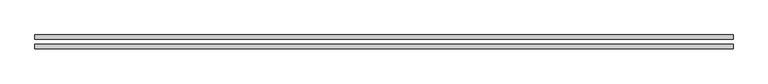
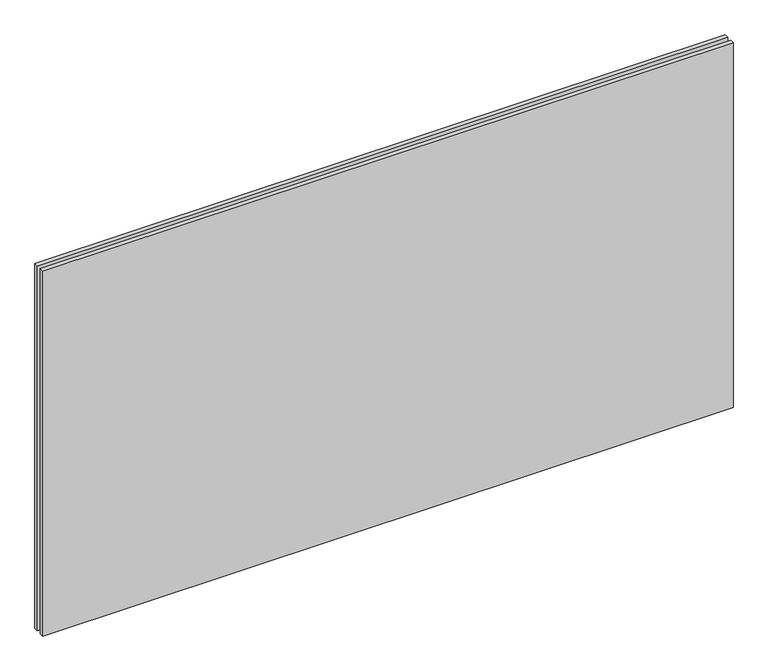
"""IFC4 building model written with IfcOpenShell, lengths in millimetres: plate geometry."""

from ifc_helpers import new_model, si_unit, origin, origin_with_axes, place, context, project, spatial, polyline, outline, extrude, source, transform, mapped, element, save


def plate_f384c1ce(model_context):
    return source(origin(), model_context, "Body", "SweptSolid", [
        extrude(outline(polyline([(632.5, -4.5), (632.5, -12.5), (-632.5, -12.5), (-632.5, -4.5), (632.5, -4.5)])), origin_with_axes(), (0.0, 0.0, 1.0), 707.5),
        extrude(outline(polyline([(632.5, 4.5), (-632.5, 4.5), (-632.5, 12.5), (632.5, 12.5), (632.5, 4.5)])), origin_with_axes(), (0.0, 0.0, 1.0), 707.5),
    ])


if __name__ == "__main__":
    model = new_model("IFC4")
    model_context = context("Model", 3, world=origin())
    ifc_project = project(units=[si_unit("LENGTHUNIT", "METRE", prefix="MILLI")], contexts=[model_context])
    site = spatial("IfcSite", under=ifc_project)
    building = spatial("IfcBuilding", under=site)
    placement = place(None, origin())
    plate_shape = plate_f384c1ce(model_context)
    element("IfcPlate", 1, at=placement, inside=building, context=model_context, shape_type="MappedRepresentation", body=[
        mapped(plate_shape, transform((0.0, 0.0, 0.0), x_axis=(1.0, 0.0, 0.0), y_axis=(0.0, 1.0, 0.0), z_axis=(0.0, 0.0, 1.0))),
    ])
    save(model, "model.ifc")
